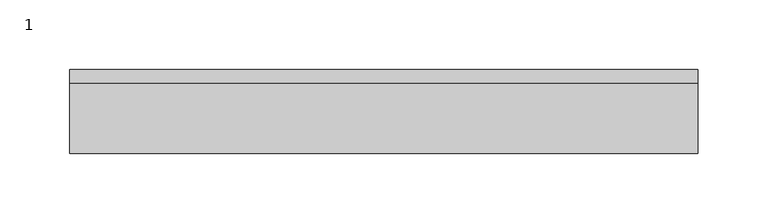
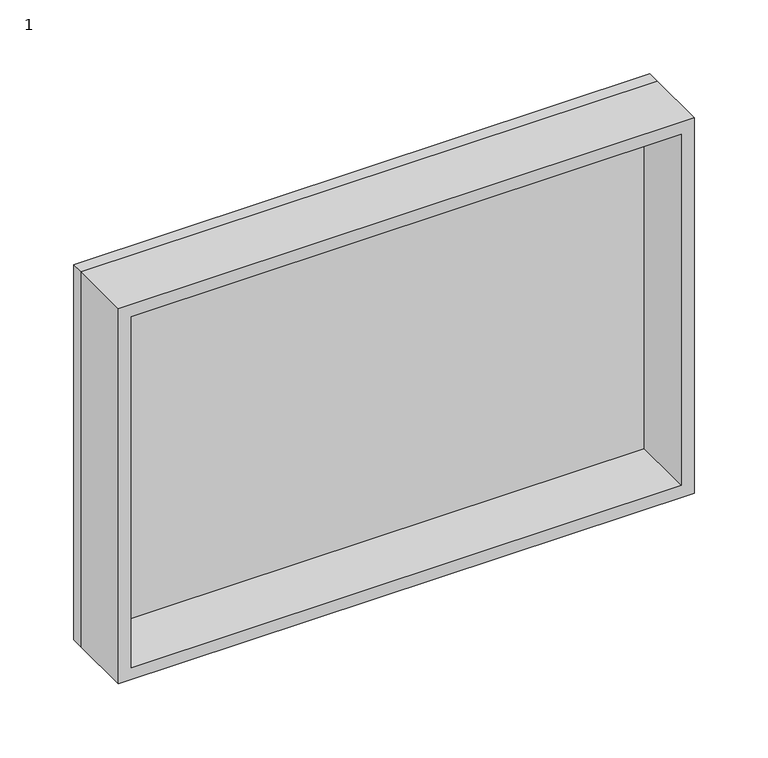
"""IFC4 building model written with IfcOpenShell, lengths in millimetres: proxy geometry, 1."""

import ifcopenshell
import ifcopenshell.guid

model = None  # the IFC model being written
_history = None  # IfcOwnerHistory: only IFC2X3 demands one
_inside = {}  # id of a spatial element -> (the spatial element, [elements in it])
_under = {}  # id of a project, library or spatial element -> (it, [spatial elements below it])
_declared = {}  # id of a project -> (the project, [libraries it declares])
_typed = {}  # id of a type object -> (the type object, [elements of that type])
_made_of = {}  # id of a material, layer set ... -> (it, [elements and type objects made of it])


def new_model(schema):
    """Start an empty IFC model of exactly this schema.

    Asked for "IFC4X3", IfcOpenShell would pick the latest addendum, in which some entities
    have other attributes; the version numbers below select the first issue.
    IFC2X3 requires an IfcOwnerHistory on every rooted entity: one is made here for all.
    """
    global model, _history
    if schema == "IFC4X3":
        model = ifcopenshell.file(schema_version=(4, 3, 0, 0))
    else:
        model = ifcopenshell.file(schema=schema)
    _inside.clear()
    _under.clear()
    _declared.clear()
    _typed.clear()
    _made_of.clear()
    _history = None
    if model.schema == "IFC2X3":
        org = make("IfcOrganization", Name="unknown")
        user = make(
            "IfcPersonAndOrganization",
            ThePerson=make("IfcPerson", FamilyName="unknown"),
            TheOrganization=org,
        )
        app = make(
            "IfcApplication",
            ApplicationDeveloper=org,
            Version="unknown",
            ApplicationFullName="unknown",
            ApplicationIdentifier="unknown",
        )
        _history = make(
            "IfcOwnerHistory",
            OwningUser=user,
            OwningApplication=app,
            ChangeAction="ADDED",
            CreationDate=0,
        )
    return model


def make(cls, **values):
    """One entity of the class cls with the attributes given. An attribute that is None is left unset."""
    return model.create_entity(
        cls, **{name: value for name, value in values.items() if value is not None}
    )


def rooted(cls, **values):
    """An entity with a GlobalId (a new one), such as an element, a storey or a relation."""
    return make(cls, GlobalId=ifcopenshell.guid.new(), OwnerHistory=_history, **values)


def si_unit(unit_type, name, prefix=None):
    """IfcSIUnit, for example si_unit("LENGTHUNIT", "METRE", prefix="MILLI")."""
    return make("IfcSIUnit", UnitType=unit_type, Prefix=prefix, Name=name)


def assignment(units):
    """IfcUnitAssignment: the units of a project."""
    return None if units is None else make("IfcUnitAssignment", Units=units)


def point(xyz):
    """IfcCartesianPoint."""
    return None if xyz is None else make("IfcCartesianPoint", Coordinates=xyz)


def direction(xyz):
    """IfcDirection."""
    return None if xyz is None else make("IfcDirection", DirectionRatios=xyz)


def frame(location, z_axis=None, x_axis=None):
    """IfcAxis2Placement3D, a coordinate frame: its origin and axes. An axis left out is left unset."""
    return make(
        "IfcAxis2Placement3D",
        Location=point(location),
        Axis=direction(z_axis),
        RefDirection=direction(x_axis),
    )


def origin():
    """The frame at (0, 0, 0) with its axes left unset."""
    return frame((0.0, 0.0, 0.0))


def origin_with_axes():
    """The frame at (0, 0, 0) with the z axis (0, 0, 1) and the x axis (1, 0, 0) written out."""
    return frame((0.0, 0.0, 0.0), z_axis=(0.0, 0.0, 1.0), x_axis=(1.0, 0.0, 0.0))


def place(relative_to, where):
    """IfcLocalPlacement: puts the frame where relative to a parent placement (None: the world)."""
    return make(
        "IfcLocalPlacement", PlacementRelTo=relative_to, RelativePlacement=where
    )


def context(
    kind, dimensions, precision=None, world=None, true_north=None, identifier=None
):
    """IfcGeometricRepresentationContext, for example the 3D "Model" context."""
    return make(
        "IfcGeometricRepresentationContext",
        ContextIdentifier=identifier,
        ContextType=kind,
        CoordinateSpaceDimension=dimensions,
        Precision=precision,
        WorldCoordinateSystem=world,
        TrueNorth=true_north,
    )


def project(units=None, contexts=None):
    """IfcProject with its units and contexts."""
    return rooted(
        "IfcProject",
        Name="project",
        RepresentationContexts=contexts,
        UnitsInContext=assignment(units),
    )


def spatial(cls, under=None, at=None, **own):
    """A site, building, storey or space (cls), placed at a placement, below another one or the project."""
    s = rooted(cls, ObjectPlacement=at, **own)
    if under is not None:
        _under.setdefault(under.id(), (under, []))[1].append(s)
    return s


def polyline(points):
    """IfcPolyline through the points."""
    return make("IfcPolyline", Points=[point(p) for p in points])


def outline(outer, holes=None, kind="AREA"):
    """IfcArbitraryClosedProfileDef: a profile drawn as a closed curve; with holes, ...WithVoids."""
    if holes is None:
        return make("IfcArbitraryClosedProfileDef", ProfileType=kind, OuterCurve=outer)
    return make(
        "IfcArbitraryProfileDefWithVoids",
        ProfileType=kind,
        OuterCurve=outer,
        InnerCurves=holes,
    )


def extrude(swept, where, along, depth):
    """IfcExtrudedAreaSolid: the profile swept, set in the frame where, extruded along a direction by depth."""
    return make(
        "IfcExtrudedAreaSolid",
        SweptArea=swept,
        Position=where,
        ExtrudedDirection=direction(along),
        Depth=depth,
    )


def shape(context_of_items, identifier, shape_type, items):
    """IfcShapeRepresentation: the items that make up one representation, for example the "Body"."""
    return make(
        "IfcShapeRepresentation",
        ContextOfItems=context_of_items,
        RepresentationIdentifier=identifier,
        RepresentationType=shape_type,
        Items=items,
    )


def source(mapping_origin, context_of_items, identifier, shape_type, items):
    """IfcRepresentationMap: a shape defined once, which mapped items show again and again."""
    return make(
        "IfcRepresentationMap",
        MappingOrigin=mapping_origin,
        MappedRepresentation=shape(context_of_items, identifier, shape_type, items),
    )


def transform(
    local_origin,
    x_axis=None,
    y_axis=None,
    z_axis=None,
    scale=None,
    scale2=None,
    scale3=None,
    uniform=True,
):
    """IfcCartesianTransformationOperator3D, or its non-uniform kind. x_axis, y_axis, z_axis: its Axis1, 2, 3."""
    if uniform:
        return make(
            "IfcCartesianTransformationOperator3D",
            Axis1=direction(x_axis),
            Axis2=direction(y_axis),
            LocalOrigin=point(local_origin),
            Scale=scale,
            Axis3=direction(z_axis),
        )
    return make(
        "IfcCartesianTransformationOperator3DnonUniform",
        Axis1=direction(x_axis),
        Axis2=direction(y_axis),
        LocalOrigin=point(local_origin),
        Scale=scale,
        Axis3=direction(z_axis),
        Scale2=scale2,
        Scale3=scale3,
    )


def mapped(mapping_source, mapping_target):
    """IfcMappedItem: shows the shape of a source again, moved by a transform."""
    return make(
        "IfcMappedItem", MappingSource=mapping_source, MappingTarget=mapping_target
    )


def made_of(thing, what):
    """Note that an element or type object is made of a material, layer set ...; save() writes the relation."""
    if what is not None:
        _made_of.setdefault(what.id(), (what, []))[1].append(thing)
    return thing


def element(
    cls,
    number,
    at=None,
    inside=None,
    cuts=None,
    type_object=None,
    material=None,
    context=None,
    identifier="Body",
    shape_type=None,
    held_by="IfcProductDefinitionShape",
    body=None,
    shapes=None,
    **own,
):
    """One element of the class cls, such as IfcWall. Its Tag is "e" and its number.

    at: its placement. inside: the storey or other place that contains it. cuts: it is an
    opening in that element (IfcRelVoidsElement). A single representation is given by context,
    identifier, shape_type and body (its items); several are given by shapes. held_by: the class
    of the entity that holds the representations. save() writes the other relations.
    """
    e = rooted(cls, Tag="e%d" % number, ObjectPlacement=at, **own)
    if body is not None:
        shapes = [shape(context, identifier, shape_type, body)]
    if shapes is not None:
        e.Representation = make(held_by, Representations=shapes)
    if inside is not None:
        _inside.setdefault(inside.id(), (inside, []))[1].append(e)
    if cuts is not None:
        rooted(
            "IfcRelVoidsElement", RelatingBuildingElement=cuts, RelatedOpeningElement=e
        )
    if type_object is not None:
        _typed.setdefault(type_object.id(), (type_object, []))[1].append(e)
    return made_of(e, material)


def aggregate(whole, parts):
    """IfcRelAggregates: a whole, such as a stair, and the parts it consists of."""
    return rooted("IfcRelAggregates", RelatingObject=whole, RelatedObjects=parts)


def save(model, path):
    """Write the relations noted so far, then the file.

    IfcRelAggregates (storeys below a building ...), IfcRelContainedInSpatialStructure (elements
    in a storey), IfcRelDefinesByType, IfcRelAssociatesMaterial and IfcRelDeclares: one each for
    every whole, place, type object, material and project.
    """
    for whole, parts in _under.values():
        aggregate(whole, parts)
    for where, things in _inside.values():
        rooted(
            "IfcRelContainedInSpatialStructure",
            RelatedElements=things,
            RelatingStructure=where,
        )
    for kind, things in _typed.values():
        rooted("IfcRelDefinesByType", RelatedObjects=things, RelatingType=kind)
    for what, things in _made_of.values():
        rooted("IfcRelAssociatesMaterial", RelatedObjects=things, RelatingMaterial=what)
    for by, libraries in _declared.values():
        rooted("IfcRelDeclares", RelatingContext=by, RelatedDefinitions=libraries)
    model.write(path)


def proxy_1_98e60367(model_context):
    return source(origin(), model_context, "Body", "SweptSolid", [
        extrude(outline(polyline([(310.0, 350.0), (310.0, -100.0), (0.0, -100.0), (0.0, 350.0), (310.0, 350.0)]), holes=[polyline([(300.0, 340.0), (10.0, 340.0), (10.0, -90.0), (300.0, -90.0), (300.0, 340.0)])]), frame((0.0, -60.0, 0.0), z_axis=(0.0, 1.0, 0.0), x_axis=(0.0, 0.0, 1.0)), (0.0, 0.0, 1.0), 50.0),
        extrude(outline(polyline([(350.0, -10.0), (-100.0, -10.0), (-100.0, 0.0), (350.0, 0.0), (350.0, -10.0)])), origin_with_axes(), (0.0, 0.0, 1.0), 310.0),
    ])


if __name__ == "__main__":
    model = new_model("IFC4")
    model_context = context("Model", 3, world=origin())
    ifc_project = project(units=[si_unit("LENGTHUNIT", "METRE", prefix="MILLI")], contexts=[model_context])
    site = spatial("IfcSite", under=ifc_project)
    building = spatial("IfcBuilding", under=site)
    placement = place(None, origin())
    proxy_1_shape = proxy_1_98e60367(model_context)
    element("IfcBuildingElementProxy", 1, Name="1", ObjectType="1", at=placement, inside=building, context=model_context, shape_type="MappedRepresentation", body=[
        mapped(proxy_1_shape, transform((0.0, 0.0, 0.0), x_axis=(1.0, 0.0, 0.0), y_axis=(0.0, 1.0, 0.0), z_axis=(0.0, 0.0, 1.0))),
    ])
    save(model, "model.ifc")
